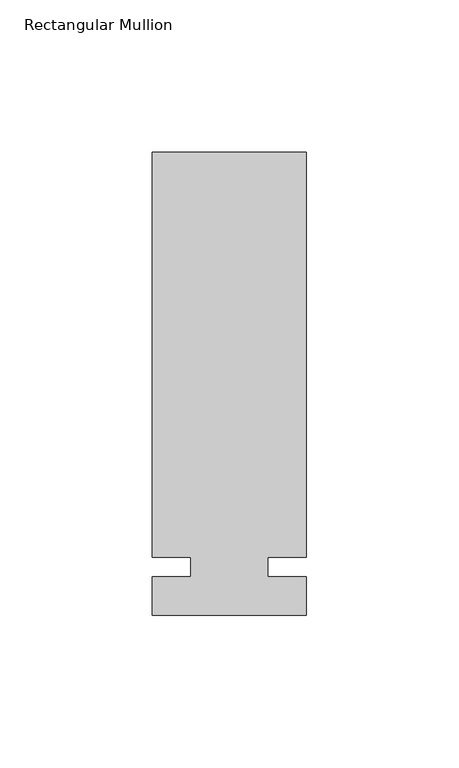
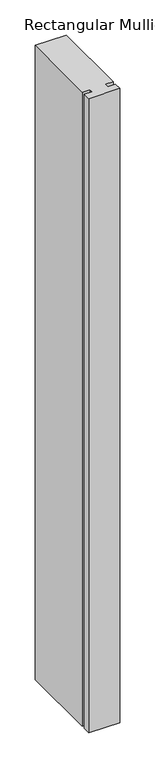
"""IFC4 building model written with IfcOpenShell, lengths in millimetres: member geometry, Rectangular Mullion."""

from ifc_helpers import new_model, si_unit, frame, origin, place, context, project, spatial, polyline, outline, extrude, source, transform, mapped, element, save


def rectangular_mullion_545628cc(model_context):
    return source(origin(), model_context, "Body", "SweptSolid", [
        extrude(outline(polyline([(29.7344027, 136.525), (29.7344027, 3.175), (17.0326322, 3.175), (17.0326322, -3.175), (29.7344027, -3.175), (29.7344027, -15.875), (-21.0655973, -15.875), (-21.0655973, -3.175), (-8.3655973, -3.175), (-8.3655973, 3.175), (-21.0655973, 3.175), (-21.0655973, 136.525), (29.7344027, 136.525)])), frame((0.0, 0.0, -1099.7094027), z_axis=(0.0, 0.0, 1.0), x_axis=(1.0, 0.0, 0.0)), (0.0, 0.0, 1.0), 1099.7094027),
    ])


if __name__ == "__main__":
    model = new_model("IFC4")
    model_context = context("Model", 3, world=origin())
    ifc_project = project(units=[si_unit("LENGTHUNIT", "METRE", prefix="MILLI")], contexts=[model_context])
    site = spatial("IfcSite", under=ifc_project)
    building = spatial("IfcBuilding", under=site)
    placement = place(None, origin())
    rectangular_mullion_shape = rectangular_mullion_545628cc(model_context)
    element("IfcMember", 1, ObjectType="Rectangular Mullion", at=placement, inside=building, context=model_context, shape_type="MappedRepresentation", body=[
        mapped(rectangular_mullion_shape, transform((0.0, 0.0, 0.0), x_axis=(1.0, 0.0, 0.0), y_axis=(0.0, 1.0, 0.0), z_axis=(0.0, 0.0, 1.0))),
    ])
    save(model, "model.ifc")
